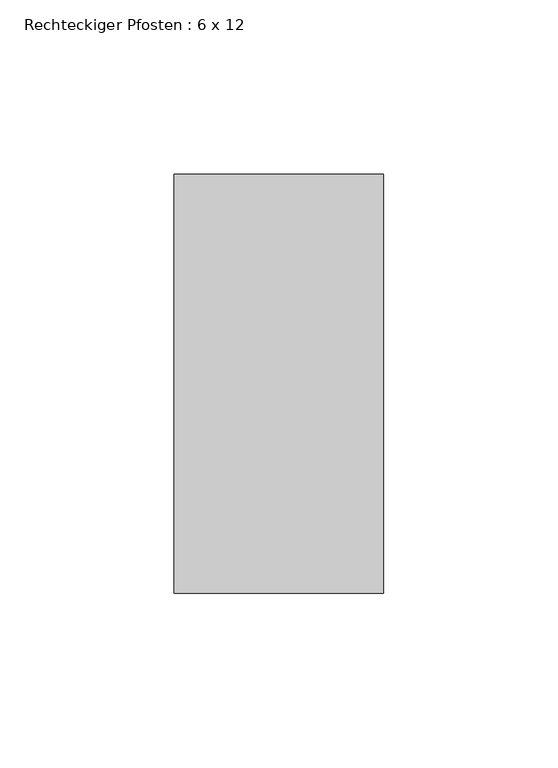
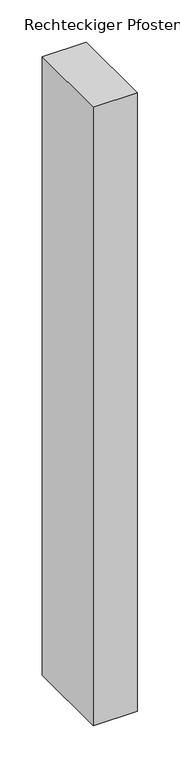
"""IFC4 building model written with IfcOpenShell, lengths in millimetres: member geometry, Rechteckiger Pfosten : 6 x 12."""

from ifc_helpers import new_model, si_unit, frame, origin, place, context, project, spatial, polyline, outline, extrude, source, transform, mapped, element, save


def rechteckiger_pfosten_6_x_12_fcd1697a(model_context):
    return source(origin(), model_context, "Body", "SweptSolid", [
        extrude(outline(polyline([(30.0, 60.0), (30.0, -60.0), (-30.0, -60.0), (-30.0, 60.0), (30.0, 60.0)])), frame((0.0, 0.0, -890.420376), z_axis=(0.0, 0.0, 1.0), x_axis=(1.0, 0.0, 0.0)), (0.0, 0.0, 1.0), 890.420376),
    ])


if __name__ == "__main__":
    model = new_model("IFC4")
    model_context = context("Model", 3, world=origin())
    ifc_project = project(units=[si_unit("LENGTHUNIT", "METRE", prefix="MILLI")], contexts=[model_context])
    site = spatial("IfcSite", under=ifc_project)
    building = spatial("IfcBuilding", under=site)
    placement = place(None, origin())
    rechteckiger_pfosten_6_x_12_shape = rechteckiger_pfosten_6_x_12_fcd1697a(model_context)
    element("IfcMember", 1, ObjectType="Rechteckiger Pfosten : 6 x 12", at=placement, inside=building, context=model_context, shape_type="MappedRepresentation", body=[
        mapped(rechteckiger_pfosten_6_x_12_shape, transform((0.0, 0.0, 0.0), x_axis=(1.0, 0.0, 0.0), y_axis=(0.0, 1.0, 0.0), z_axis=(0.0, 0.0, 1.0))),
    ])
    save(model, "model.ifc")
